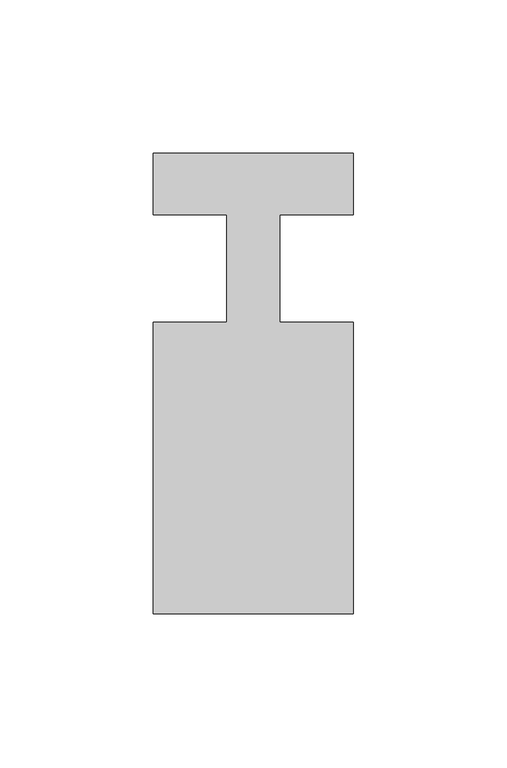
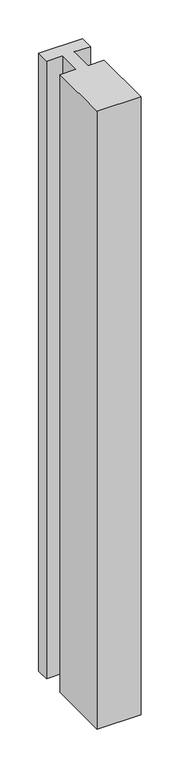
"""IFC4 building model written with IfcOpenShell, lengths in millimetres: member geometry."""

from ifc_helpers import new_model, si_unit, frame, origin, place, context, project, spatial, polyline, outline, extrude, source, transform, mapped, element, save


def member_94ab6cbf(model_context):
    return source(origin(), model_context, "Body", "SweptSolid", [
        extrude(outline(polyline([(-65.0, 37.0), (0.0, 37.0), (0.0, 17.0), (-23.8125, 17.0), (-23.8125, -18.0), (0.0, -18.0), (0.0, -113.0), (-65.0, -113.0), (-65.0, -18.0), (-41.1875, -18.0), (-41.1875, 17.0), (-65.0, 17.0), (-65.0, 37.0)])), frame((0.0, 0.0, -968.3333333), z_axis=(0.0, 0.0, 1.0), x_axis=(1.0, 0.0, 0.0)), (0.0, 0.0, 1.0), 968.3333333),
    ])


if __name__ == "__main__":
    model = new_model("IFC4")
    model_context = context("Model", 3, world=origin())
    ifc_project = project(units=[si_unit("LENGTHUNIT", "METRE", prefix="MILLI")], contexts=[model_context])
    site = spatial("IfcSite", under=ifc_project)
    building = spatial("IfcBuilding", under=site)
    placement = place(None, origin())
    member_shape = member_94ab6cbf(model_context)
    element("IfcMember", 1, at=placement, inside=building, context=model_context, shape_type="MappedRepresentation", body=[
        mapped(member_shape, transform((0.0, 0.0, 0.0), x_axis=(1.0, 0.0, 0.0), y_axis=(0.0, 1.0, 0.0), z_axis=(0.0, 0.0, 1.0))),
    ])
    save(model, "model.ifc")
